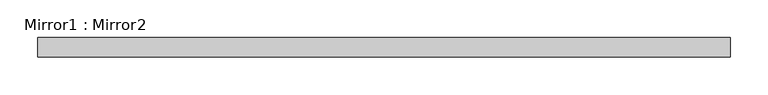
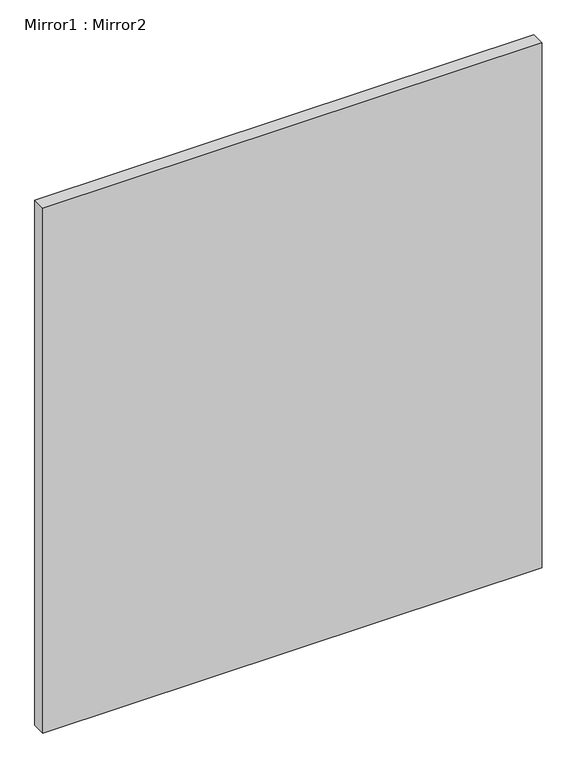
"""IFC4 building model written with IfcOpenShell, lengths in millimetres: proxy geometry, Mirror1 : Mirror2."""

from ifc_helpers import new_model, si_unit, frame, origin, place, context, project, spatial, polyline, outline, extrude, source, transform, mapped, element, save


def mirror1_mirror2_7dd7db9b(model_context):
    return source(origin(), model_context, "Body", "SweptSolid", [
        extrude(outline(polyline([(88816.3894738, 35760.3867056), (89730.7894738, 35760.3867056), (89730.7894738, 35734.9867056), (88816.3894738, 35734.9867056), (88816.3894738, 35760.3867056)])), frame((0.0, 0.0, 996.1525581), z_axis=(0.0, 0.0, 1.0), x_axis=(1.0, 0.0, 0.0)), (0.0, 0.0, 1.0), 1016.0),
    ])


if __name__ == "__main__":
    model = new_model("IFC4")
    model_context = context("Model", 3, world=origin())
    ifc_project = project(units=[si_unit("LENGTHUNIT", "METRE", prefix="MILLI")], contexts=[model_context])
    site = spatial("IfcSite", under=ifc_project)
    building = spatial("IfcBuilding", under=site)
    placement = place(None, origin())
    mirror1_mirror2_shape = mirror1_mirror2_7dd7db9b(model_context)
    element("IfcBuildingElementProxy", 1, Name="Mirror1 : Mirror2", ObjectType="Mirror1 : Mirror2", at=placement, inside=building, context=model_context, shape_type="MappedRepresentation", body=[
        mapped(mirror1_mirror2_shape, transform((0.0, 0.0, 0.0), x_axis=(1.0, 0.0, 0.0), y_axis=(0.0, 1.0, 0.0), z_axis=(0.0, 0.0, 1.0))),
    ])
    save(model, "model.ifc")
